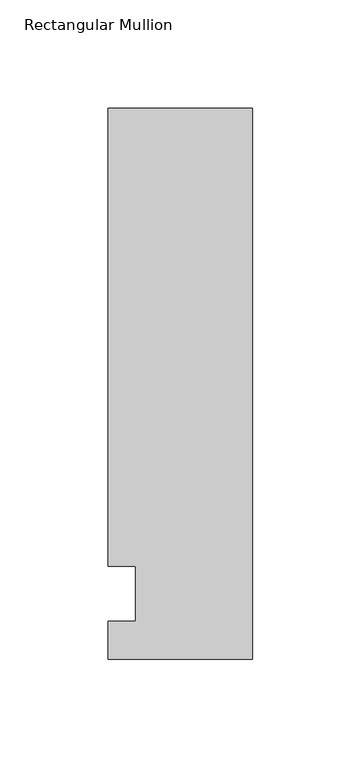
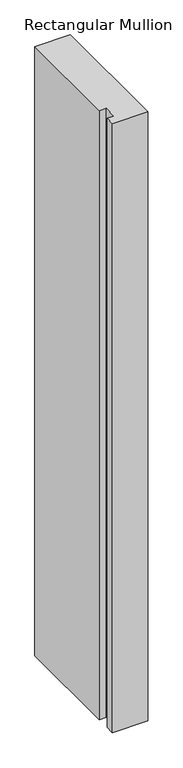
"""IFC4 building model written with IfcOpenShell, lengths in millimetres: member geometry, Rectangular Mullion."""

from ifc_helpers import new_model, si_unit, frame, origin, place, context, project, spatial, polyline, outline, extrude, source, transform, mapped, element, save


def rectangular_mullion_8e4e4c53(model_context):
    return source(origin(), model_context, "Body", "SweptSolid", [
        extrude(outline(polyline([(-66.675, 223.8375), (0.0, 223.8375), (0.0, -30.1625), (-66.675, -30.1625), (-66.675, -12.7), (-53.9732296, -12.7), (-53.9732296, 12.7), (-66.675, 12.7), (-66.675, 223.8375)])), frame((0.0, 0.0, -1219.2), z_axis=(0.0, 0.0, 1.0), x_axis=(1.0, 0.0, 0.0)), (0.0, 0.0, 1.0), 1219.2),
    ])


if __name__ == "__main__":
    model = new_model("IFC4")
    model_context = context("Model", 3, world=origin())
    ifc_project = project(units=[si_unit("LENGTHUNIT", "METRE", prefix="MILLI")], contexts=[model_context])
    site = spatial("IfcSite", under=ifc_project)
    building = spatial("IfcBuilding", under=site)
    placement = place(None, origin())
    rectangular_mullion_shape = rectangular_mullion_8e4e4c53(model_context)
    element("IfcMember", 1, ObjectType="Rectangular Mullion", at=placement, inside=building, context=model_context, shape_type="MappedRepresentation", body=[
        mapped(rectangular_mullion_shape, transform((0.0, 0.0, 0.0), x_axis=(1.0, 0.0, 0.0), y_axis=(0.0, 1.0, 0.0), z_axis=(0.0, 0.0, 1.0))),
    ])
    save(model, "model.ifc")
